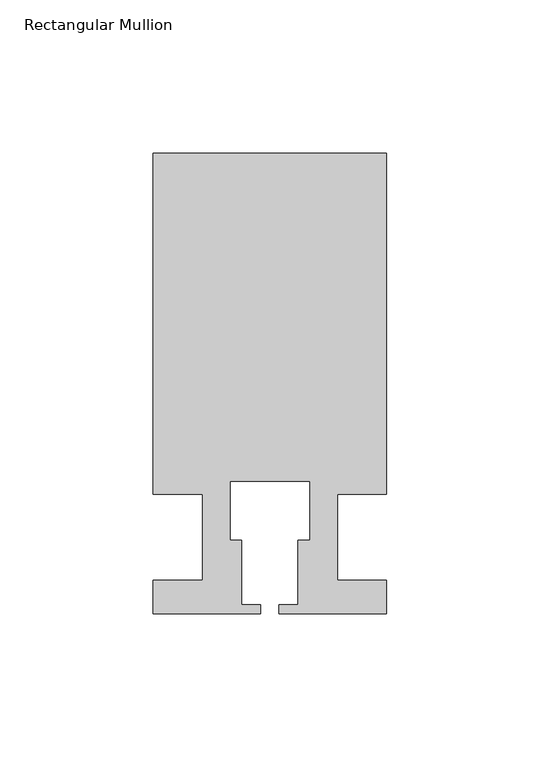
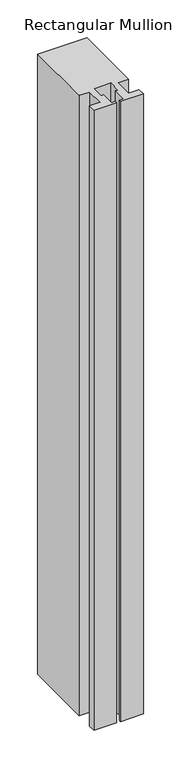
"""IFC4 building model written with IfcOpenShell, lengths in millimetres: member geometry, Rectangular Mullion."""

from ifc_helpers import new_model, si_unit, frame, origin, place, context, project, spatial, polyline, outline, extrude, source, transform, mapped, element, save


def rectangular_mullion_2c2eeb29(model_context):
    return source(origin(), model_context, "Body", "SweptSolid", [
        extrude(outline(polyline([(37.9999914, 124.9960123), (37.9999914, 13.9960123), (21.9999651, 13.9960123), (21.9999651, -14.0039877), (37.9999896, -14.0039877), (37.9999896, -25.0039877), (2.9999651, -25.0039877), (2.9999651, -22.0039877), (9.1999651, -22.0039877), (9.1999651, -1.0039877), (12.9999651, -1.0039877), (12.9999651, 18.1960075), (-12.9999633, 18.1960075), (-12.9999633, -1.0039877), (-9.1999633, -1.0039877), (-9.1999633, -22.0039877), (-2.9999896, -22.0039877), (-2.9999896, -25.0039877), (-37.9999896, -25.0039877), (-37.9999896, -14.0039877), (-21.9999633, -14.0039877), (-21.9999633, 13.9959029), (-37.9999896, 13.9959029), (-37.9999896, 124.9960123), (37.9999914, 124.9960123)])), frame((0.0, 0.0, -1006.6595328), z_axis=(0.0, 0.0, 1.0), x_axis=(1.0, 0.0, 0.0)), (0.0, 0.0, 1.0), 1006.6595328),
    ])


if __name__ == "__main__":
    model = new_model("IFC4")
    model_context = context("Model", 3, world=origin())
    ifc_project = project(units=[si_unit("LENGTHUNIT", "METRE", prefix="MILLI")], contexts=[model_context])
    site = spatial("IfcSite", under=ifc_project)
    building = spatial("IfcBuilding", under=site)
    placement = place(None, origin())
    rectangular_mullion_shape = rectangular_mullion_2c2eeb29(model_context)
    element("IfcMember", 1, ObjectType="Rectangular Mullion", at=placement, inside=building, context=model_context, shape_type="MappedRepresentation", body=[
        mapped(rectangular_mullion_shape, transform((0.0, 0.0, 0.0), x_axis=(1.0, 0.0, 0.0), y_axis=(0.0, 1.0, 0.0), z_axis=(0.0, 0.0, 1.0))),
    ])
    save(model, "model.ifc")
